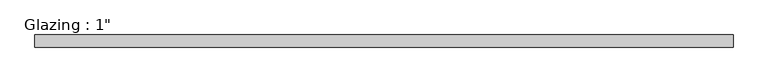
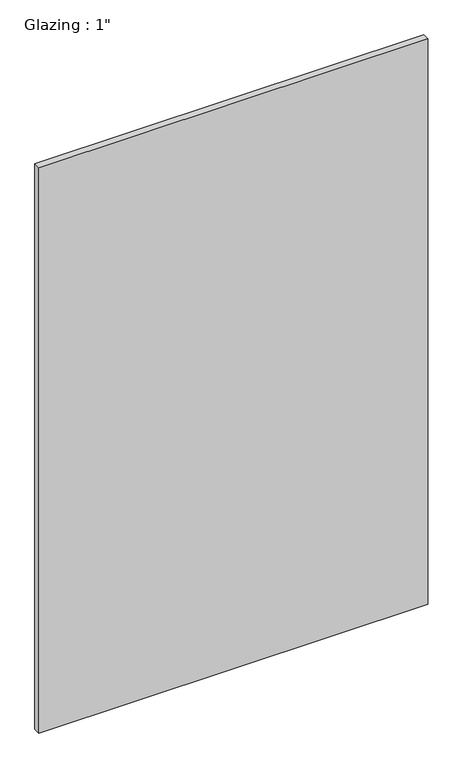
"""IFC4 building model written with IfcOpenShell, lengths in millimetres: plate geometry."""

from ifc_helpers import new_model, si_unit, origin, origin_with_axes, place, context, project, spatial, polyline, outline, extrude, source, transform, mapped, element, save


def plate_25b1d4c1(model_context):
    return source(origin(), model_context, "Body", "SweptSolid", [
        extrude(outline(polyline([(707.3789731, -12.7), (-707.3789731, -12.7), (-707.3789731, 12.7), (707.3789731, 12.7), (707.3789731, -12.7)])), origin_with_axes(), (0.0, 0.0, 1.0), 2174.7675354),
    ])


if __name__ == "__main__":
    model = new_model("IFC4")
    model_context = context("Model", 3, world=origin())
    ifc_project = project(units=[si_unit("LENGTHUNIT", "METRE", prefix="MILLI")], contexts=[model_context])
    site = spatial("IfcSite", under=ifc_project)
    building = spatial("IfcBuilding", under=site)
    placement = place(None, origin())
    plate_shape = plate_25b1d4c1(model_context)
    element("IfcPlate", 1, ObjectType="Glazing : 1\"", at=placement, inside=building, context=model_context, shape_type="MappedRepresentation", body=[
        mapped(plate_shape, transform((0.0, 0.0, 0.0), x_axis=(1.0, 0.0, 0.0), y_axis=(0.0, 1.0, 0.0), z_axis=(0.0, 0.0, 1.0))),
    ])
    save(model, "model.ifc")
